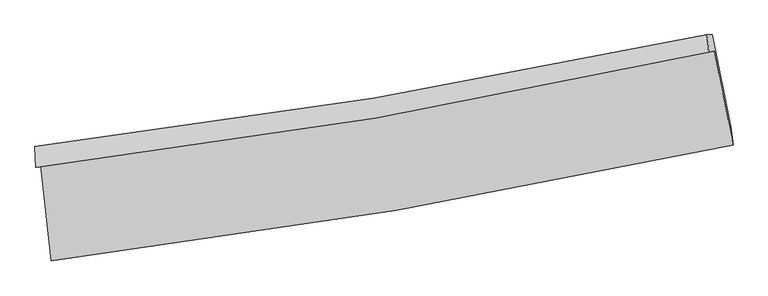
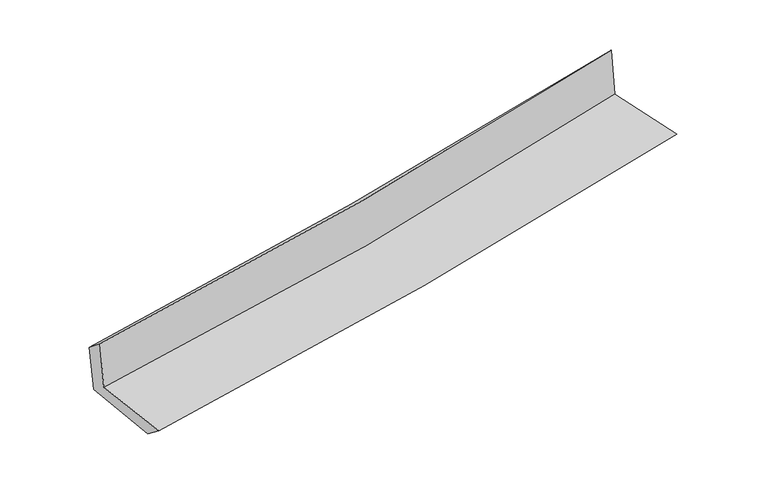
"""IFC4 building model written with IfcOpenShell, lengths in millimetres: proxy geometry."""

from ifc_helpers import new_model, si_unit, frame, origin, place, context, project, spatial, source, transform, mapped, element, save
from ifc_brep_helpers import plane_surface, spline_curve, spline_surface, advanced_brep


def generic_models_204f554e(model_context):
    return source(origin(), model_context, "Body", "AdvancedBrep", [
        advanced_brep(
        [(-2367.5109289, -1877.3350837, 1671.7249648), (-2294.0706108, -2534.8180445, 1665.2560734), (2433.6525521, -1731.4544806, 2107.8655041), (2301.5670508, -1078.0690714, 2108.9298557), (-2403.5302977, -1885.2630774, 2068.5853716), (2265.235803, -1086.0657108, 2509.2265374), (-2408.3698895, -1742.5231042, 1950.554681), (2252.2858896, -965.4730099, 2388.8634972), (-2373.5628316, -1743.0825625, 1576.8468794), (2288.6890471, -965.7264184, 2005.3882758), (-2299.9217039, -2384.8725627, 1549.5189613), (2418.7124612, -1603.5167144, 1992.8451474)],
        [
            (0, 1),
            (1, 2, spline_curve(3, [(-2294.0706108, -2534.8180445, 1665.2560734), (-1494.673043857, -2436.836332977, 1737.119675417), (-698.566675077, -2320.367724625, 1810.172410739), (877.260154886, -2052.125499183, 1957.738114355), (1657.061506853, -1900.806252964, 2032.221855877), (2433.6525521, -1731.4544806, 2107.8655041)], [4, 2, 4], [0.0, 7.9036530751130245, 15.709573966821024])),
            (2, 3),
            (3, 0, spline_curve(3, [(2301.5670508, -1078.0690714, 2108.9298557), (1536.295314454, -1251.041391977, 2025.081634042), (767.015307256, -1403.844947161, 1946.91487641), (-789.243021761, -1670.775149306, 1801.03675545), (-1576.322341055, -1784.393598134, 1733.468549217), (-2367.5109289, -1877.3350837, 1671.7249648)], [4, 2, 4], [0.0, 7.805920891707999, 15.709573966821024])),
            (4, 0),
            (3, 5),
            (5, 4, spline_curve(3, [(2265.235803, -1086.0657108, 2509.2265374), (1499.314298028, -1259.18104767, 2432.537449253), (729.733052862, -1412.050906419, 2357.689723286), (-826.430098649, -1678.960159923, 2210.762937435), (-1613.10422041, -1792.489423163, 2138.730274586), (-2403.5302977, -1885.2630774, 2068.5853716)], [4, 2, 4], [0.0, 7.758409124084188, 15.613955571741776])),
            (6, 4),
            (5, 7),
            (7, 6, spline_curve(3, [(2252.2858896, -965.4730099, 2388.8634972), (1486.053563917, -1128.294358661, 2315.874240366), (716.983418594, -1274.162489326, 2243.079890355), (-836.497002215, -1533.606362294, 2096.972040519), (-1620.978783422, -1646.754929941, 2023.663451771), (-2408.3698895, -1742.5231042, 1950.554681)], [4, 2, 4], [0.0, 7.748137816620094, 15.593284357341624])),
            (8, 6),
            (7, 9),
            (9, 8, spline_curve(3, [(2288.6890471, -965.7264184, 2005.3882758), (1522.211767594, -1128.673669809, 1933.934664674), (752.887024883, -1274.630331259, 1862.716769809), (-801.125186472, -1534.177162483, 1719.863698447), (-1585.884403175, -1647.339216106, 1648.234460783), (-2373.5628316, -1743.0825625, 1576.8468794)], [4, 2, 4], [0.0, 7.738596196237885, 15.574081652979492])),
            (10, 8),
            (9, 11),
            (11, 10, spline_curve(3, [(2418.7124612, -1603.5167144, 1992.8451474), (1643.964590246, -1772.383031594, 1915.524978148), (865.838580567, -1921.646811692, 1840.138772497), (-706.954354534, -2182.592691994, 1692.314646503), (-1501.706399891, -2293.780861121, 1619.925456788), (-2299.9217039, -2384.8725627, 1549.5189613)], [4, 2, 4], [0.0, 7.786350468049025, 15.670188092649628])),
            (1, 10),
            (11, 2),
        ],
        [
            spline_surface(3, 3, [[(-2367.5109289, -1877.3350837, 1671.7249648), (-1576.322341109, -1784.393598221, 1733.468549209), (-789.243021775, -1670.775149335, 1801.036755376), (767.01530727, -1403.844947132, 1946.914876482), (1536.295314471, -1251.041391939, 2025.081633935), (2301.5670508, -1078.0690714, 2108.9298557)], [(-2343.030822868, -2096.496070643, 1669.56866768), (-1549.105908728, -2001.874509774, 1734.685591331), (-759.017572869, -1887.306007739, 1804.081973874), (803.763589813, -1619.938464503, 1950.522622406), (1576.550711952, -1467.629678949, 2027.4617079), (2345.595551218, -1295.864207816, 2108.575071828)], [(-2318.550716832, -2315.657057557, 1667.41237052), (-1521.889476341, -2219.355421297, 1735.902633414), (-728.79212398, -2103.836866151, 1807.127192358), (840.511872339, -1836.031981881, 1954.130368316), (1616.806109478, -1684.217965913, 2029.841781882), (2389.624051682, -1513.659344184, 2108.220287972)], [(-2294.0706108, -2534.8180445, 1665.2560734), (-1494.67304396, -2436.83633285, 1737.119675536), (-698.566675074, -2320.367724555, 1810.172410855), (877.260154883, -2052.125499252, 1957.73811424), (1657.061506959, -1900.806252923, 2032.221855847), (2433.6525521, -1731.4544806, 2107.8655041)]], [4, 4], [4, 2, 4], [0.0, 2.1546323913209475], [0.0, 7.9036530751130245, 15.709573966821024]),
            spline_surface(3, 3, [[(-2403.5302977, -1885.2630774, 2068.5853716), (-1613.104220327, -1792.489423229, 2138.730274675), (-826.430098587, -1678.960159798, 2210.762937407), (729.7330528, -1412.050906542, 2357.689723312), (1499.314297966, -1259.181047788, 2432.537449227), (2265.235803, -1086.0657108, 2509.2265374)], [(-2391.523841449, -1882.620412841, 1936.298569322), (-1600.843593936, -1789.790814901, 2003.643032841), (-814.034406313, -1676.231822979, 2074.187543401), (742.16047096, -1409.315586741, 2220.764774373), (1511.641303471, -1256.467829176, 2296.718844147), (2277.346218936, -1083.400164338, 2375.794310185)], [(-2379.517385151, -1879.977748259, 1804.011767078), (-1588.582967499, -1787.092206549, 1868.555791043), (-801.638714049, -1673.503486154, 1937.612149383), (754.587889109, -1406.580266934, 2083.839825422), (1523.968308967, -1253.754610551, 2160.900239014), (2289.456634864, -1080.734617862, 2242.362082915)], [(-2367.5109289, -1877.3350837, 1671.7249648), (-1576.322341109, -1784.393598221, 1733.468549209), (-789.243021775, -1670.775149335, 1801.036755376), (767.01530727, -1403.844947132, 1946.914876482), (1536.295314471, -1251.041391939, 2025.081633935), (2301.5670508, -1078.0690714, 2108.9298557)]], [4, 4], [4, 2, 4], [0.0, 1.3517430578403853], [0.0, 7.855546447657589, 15.613955571741776]),
            spline_surface(3, 3, [[(-2408.3698895, -1742.5231042, 1950.554681), (-1620.978783374, -1646.754929938, 2023.663451643), (-836.497002321, -1533.606362379, 2096.972040515), (716.983418699, -1274.162489242, 2243.079890359), (1486.05356401, -1128.294358691, 2315.874240256), (2252.2858896, -965.4730099, 2388.8634972)], [(-2406.756692223, -1790.103095255, 1989.898244526), (-1618.353929015, -1695.333094356, 2062.019059313), (-833.141367743, -1582.057628176, 2134.902339491), (721.233296733, -1320.125294999, 2281.283168022), (1490.473808668, -1171.923255032, 2354.761976566), (2256.602527406, -1005.670576842, 2428.984510587)], [(-2405.143494977, -1837.683086345, 2029.241808074), (-1615.729074686, -1743.911258811, 2100.374667006), (-829.785733165, -1630.508894001, 2172.832638431), (725.483174766, -1366.088100785, 2319.486445649), (1494.894053308, -1215.552151446, 2393.649712916), (2260.919165194, -1045.868143858, 2469.105524013)], [(-2403.5302977, -1885.2630774, 2068.5853716), (-1613.104220327, -1792.489423229, 2138.730274675), (-826.430098587, -1678.960159798, 2210.762937407), (729.7330528, -1412.050906542, 2357.689723312), (1499.314297966, -1259.181047788, 2432.537449227), (2265.235803, -1086.0657108, 2509.2265374)]], [4, 4], [4, 2, 4], [0.0, 0.5981570856623561], [0.0, 7.8451465407215295, 15.593284357341624]),
            spline_surface(3, 3, [[(-2373.5628316, -1743.0825625, 1576.8468794), (-1585.884403222, -1647.339215996, 1648.234460889), (-801.125186415, -1534.177162583, 1719.86369835), (752.887024827, -1274.63033116, 1862.716769905), (1522.21176756, -1128.673669893, 1933.93466457), (2288.6890471, -965.7264184, 2005.3882758)], [(-2385.165184241, -1742.896076399, 1701.416146622), (-1597.582529946, -1647.144453975, 1773.377457829), (-812.915791731, -1533.986895837, 1845.566479054), (740.919156104, -1274.474383843, 1989.504476706), (1510.159033024, -1128.54723284, 2061.247856465), (2276.554661247, -965.641948914, 2133.2133496)], [(-2396.767536859, -1742.709590301, 1825.985413778), (-1609.280656649, -1646.949691958, 1898.520454704), (-824.706397005, -1533.796629125, 1971.26925981), (728.951287422, -1274.318436559, 2116.292183558), (1498.106298547, -1128.420795744, 2188.56104836), (2264.420275453, -965.557479386, 2261.0384234)], [(-2408.3698895, -1742.5231042, 1950.554681), (-1620.978783374, -1646.754929938, 2023.663451643), (-836.497002321, -1533.606362379, 2096.972040515), (716.983418699, -1274.162489242, 2243.079890359), (1486.05356401, -1128.294358691, 2315.874240256), (2252.2858896, -965.4730099, 2388.8634972)]], [4, 4], [4, 2, 4], [0.0, 1.2479941251285465], [0.0, 7.8354854567416075, 15.574081652979492]),
            spline_surface(3, 3, [[(-2299.9217039, -2384.8725627, 1549.5189613), (-1501.706399823, -2293.780861029, 1619.925456905), (-706.954354542, -2182.592691888, 1692.31464651), (865.838580575, -1921.646811798, 1840.13877249), (1643.964590313, -1772.383031479, 1915.524978273), (2418.7124612, -1603.5167144, 1992.8451474)], [(-2324.468746474, -2170.942562651, 1558.628267325), (-1529.765734296, -2078.300312702, 1629.361791558), (-738.344631819, -1966.454182123, 1701.497663787), (828.188062006, -1705.974651589, 1847.664771625), (1603.380316062, -1557.813244278, 1921.661540378), (2375.371323166, -1390.919949061, 1997.026190206)], [(-2349.015789026, -1957.012562549, 1567.737573375), (-1557.825068748, -1862.819764323, 1638.798126236), (-769.734909138, -1750.315672348, 1710.680681073), (790.537543396, -1490.302491369, 1855.19077077), (1562.796041812, -1343.243457094, 1927.798102464), (2332.030185134, -1178.323183739, 2001.207232994)], [(-2373.5628316, -1743.0825625, 1576.8468794), (-1585.884403222, -1647.339215996, 1648.234460889), (-801.125186415, -1534.177162583, 1719.86369835), (752.887024827, -1274.63033116, 1862.716769905), (1522.21176756, -1128.673669893, 1933.93466457), (2288.6890471, -965.7264184, 2005.3882758)]], [4, 4], [4, 2, 4], [0.0, 2.1535842513081187], [0.0, 7.883837624600603, 15.670188092649628]),
            spline_surface(3, 3, [[(-2294.0706108, -2534.8180445, 1665.2560734), (-1494.67304396, -2436.83633285, 1737.119675536), (-698.566675074, -2320.367724555, 1810.172410855), (877.260154883, -2052.125499252, 1957.73811424), (1657.061506959, -1900.806252923, 2032.221855847), (2433.6525521, -1731.4544806, 2107.8655041)], [(-2296.020975145, -2484.836217212, 1626.677036026), (-1497.017495892, -2389.151175555, 1698.054935986), (-701.362568239, -2274.442713684, 1770.886489407), (873.452963438, -2008.632603452, 1918.538333657), (1652.695868103, -1857.998512437, 1993.322896651), (2428.672521826, -1688.808558529, 2069.525385195)], [(-2297.971339555, -2434.854389988, 1588.097998674), (-1499.36194789, -2341.466018324, 1658.990196456), (-704.158461377, -2228.517702759, 1731.600567959), (869.64577202, -1965.139707598, 1879.338553074), (1648.330229169, -1815.190771964, 1954.423937469), (2423.692491474, -1646.162636471, 2031.185266305)], [(-2299.9217039, -2384.8725627, 1549.5189613), (-1501.706399823, -2293.780861029, 1619.925456905), (-706.954354542, -2182.592691888, 1692.31464651), (865.838580575, -1921.646811798, 1840.13877249), (1643.964590313, -1772.383031479, 1915.524978273), (2418.7124612, -1603.5167144, 1992.8451474)]], [4, 4], [4, 2, 4], [0.0, 0.586530683237857], [0.0, 7.941637916902097, 15.78507395094639]),
            plane_surface(frame((2326.6904673, -1238.3842342, 2185.5198029), z_axis=(0.9759973186176875, 0.19715258191047044, 0.09252077332750515), x_axis=(-0.09450473483860371, 0.0006578632370941117, 0.9955241947381523))),
            plane_surface(frame((-2357.8277104, -2027.9824058, 1747.0811553), z_axis=(-0.9897025965060487, -0.10964364535005221, -0.0920165284258064), x_axis=(-0.11100352374040479, 0.9937719136402886, 0.009777595662135633))),
        ],
        [
            (0, [[1, 2, 3, 4]]),
            (1, [[5, -4, 6, 7]]),
            (2, [[8, -7, 9, 10]]),
            (3, [[11, -10, 12, 13]]),
            (4, [[14, -13, 15, 16]]),
            (5, [[17, -16, 18, -2]]),
            (6, [[-12, -9, -6, -3, -18, -15]]),
            (7, [[-1, -5, -8, -11, -14, -17]]),
        ],
    ),
    ])


if __name__ == "__main__":
    model = new_model("IFC4")
    model_context = context("Model", 3, world=origin())
    ifc_project = project(units=[si_unit("LENGTHUNIT", "METRE", prefix="MILLI")], contexts=[model_context])
    site = spatial("IfcSite", under=ifc_project)
    building = spatial("IfcBuilding", under=site)
    placement = place(None, origin())
    generic_models_shape = generic_models_204f554e(model_context)
    element("IfcBuildingElementProxy", 1, Name="Generic Models", at=placement, inside=building, context=model_context, shape_type="MappedRepresentation", body=[
        mapped(generic_models_shape, transform((0.0, 0.0, 0.0), x_axis=(1.0, 0.0, 0.0), y_axis=(0.0, 1.0, 0.0), z_axis=(0.0, 0.0, 1.0))),
    ])
    save(model, "model.ifc")
